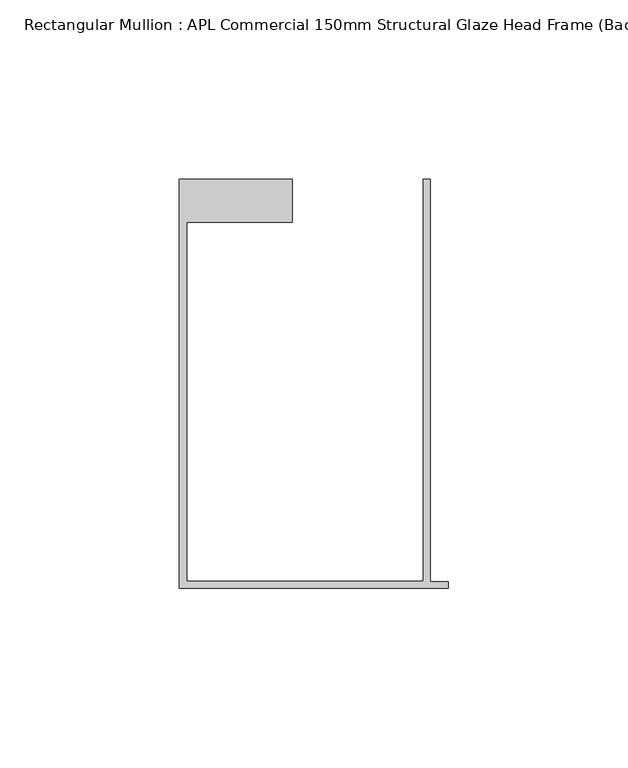
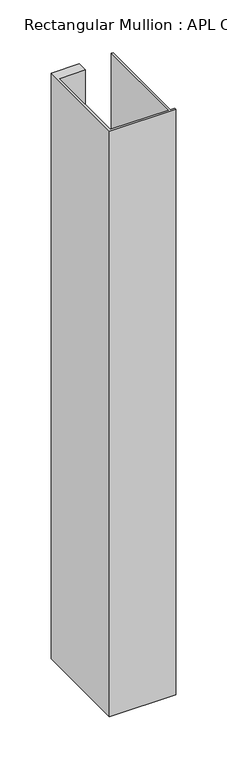
"""IFC4 building model written with IfcOpenShell, lengths in millimetres: member geometry, Rectangular Mullion : APL Commercial 150mm Structural Glaze Head Frame (Back)."""

from ifc_helpers import new_model, si_unit, frame, origin, place, context, project, spatial, polyline, outline, extrude, source, transform, mapped, element, save


def rectangular_mullion_apl_commercial_150mm_structural_glaze_502d4fd1(model_context):
    return source(origin(), model_context, "Body", "SweptSolid", [
        extrude(outline(polyline([(-75.0, -128.9993063), (-75.0, -14.9998342), (-43.5000151, -14.9998342), (-43.5000151, -26.9997514), (-73.0, -26.9997514), (-73.0, -126.9993063), (-7.0, -126.9993063), (-7.0, -14.9998342), (-5.0, -14.9998342), (-5.0, -127.1993063), (0.0, -127.1993063), (0.0, -128.9993063), (-75.0, -128.9993063)])), frame((0.0, 0.0, -699.3627597), z_axis=(0.0, 0.0, 1.0), x_axis=(1.0, 0.0, 0.0)), (0.0, 0.0, 1.0), 699.3627597),
    ])


if __name__ == "__main__":
    model = new_model("IFC4")
    model_context = context("Model", 3, world=origin())
    ifc_project = project(units=[si_unit("LENGTHUNIT", "METRE", prefix="MILLI")], contexts=[model_context])
    site = spatial("IfcSite", under=ifc_project)
    building = spatial("IfcBuilding", under=site)
    placement = place(None, origin())
    rectangular_mullion_apl_commercial_150mm_structural_glaze_shape = rectangular_mullion_apl_commercial_150mm_structural_glaze_502d4fd1(model_context)
    element("IfcMember", 1, ObjectType="Rectangular Mullion : APL Commercial 150mm Structural Glaze Head Frame (Back)", at=placement, inside=building, context=model_context, shape_type="MappedRepresentation", body=[
        mapped(rectangular_mullion_apl_commercial_150mm_structural_glaze_shape, transform((0.0, 0.0, 0.0), x_axis=(1.0, 0.0, 0.0), y_axis=(0.0, 1.0, 0.0), z_axis=(0.0, 0.0, 1.0))),
    ])
    save(model, "model.ifc")
